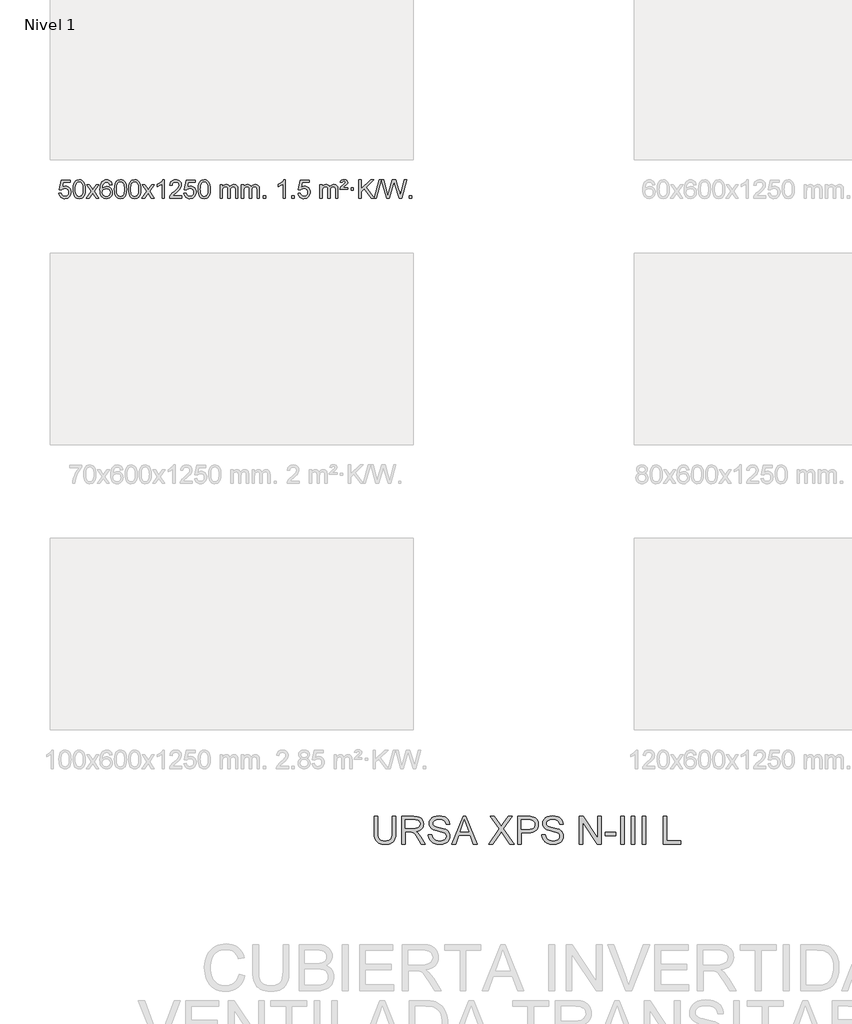
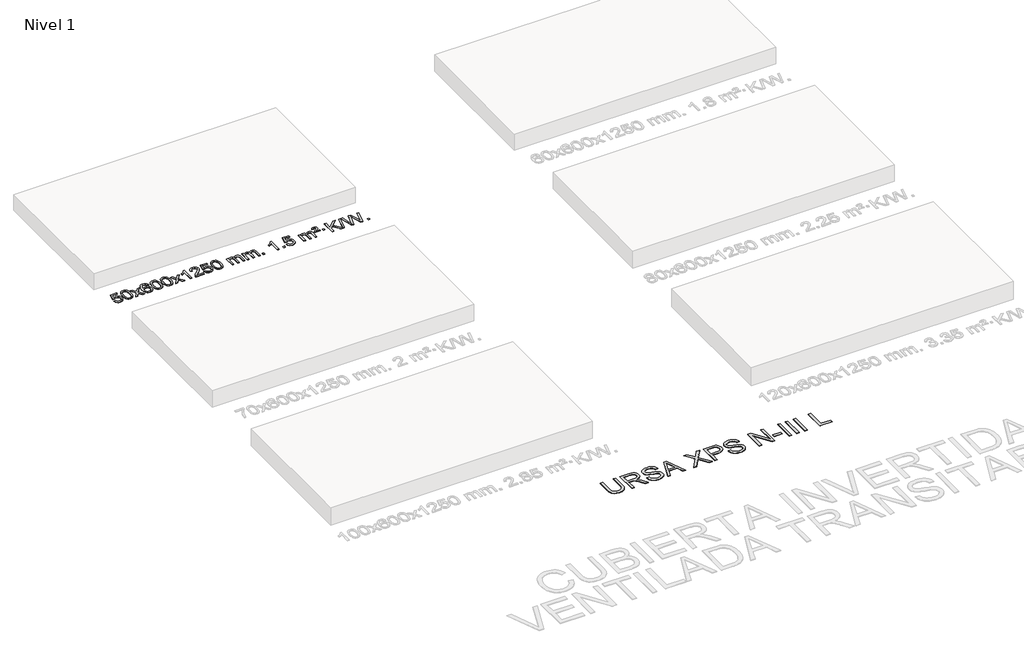
# One storey, part 4 of 7: 2 proxies.
"""IFC4 building model written with IfcOpenShell, lengths in millimetres."""

from ifc_helpers import new_model, si_unit, origin, origin_with_axes, place, context, project, spatial, polyline, outline, extrude, element, save

model = new_model("IFC4")

# Units and contexts
model_context = context("Model", 3, world=origin())
ifc_project = project(units=[si_unit("LENGTHUNIT", "METRE", prefix="MILLI")], contexts=[model_context])

# Site, building, storey
site = spatial("IfcSite", under=ifc_project)
building = spatial("IfcBuilding", under=site)
storey = spatial("IfcBuildingStorey", under=building, Name="Nivel 1", Elevation=0.0)

# Proxies
placement = place(None, origin())
element("IfcBuildingElementProxy", 1, Name="Texto de modelo 1", ObjectType="Texto de modelo 1", at=placement, inside=storey, context=model_context, shape_type="SweptSolid", body=[
    extrude(outline(polyline([(-25826.1503809, -277.8820273), (-25775.9222259, -271.603508), (-25766.7006505, -301.7575688), (-25750.6119446, -323.3522419), (-25727.7296845, -336.3384764), (-25698.1274466, -340.6672212), (-25678.9975829, -339.1619707), (-25662.124062, -334.6462192), (-25647.5068841, -327.1199667), (-25635.146049, -316.5832132), (-25625.3174684, -303.5571249), (-25618.2970537, -288.5628679), (-25612.6807219, -252.6698479), (-25617.9414344, -218.8737553), (-25624.5173251, -204.9555532), (-25633.723572, -193.0239138), (-25645.590832, -183.4528505), (-25660.149762, -176.6163768), (-25697.3426317, -171.1471978), (-25721.7086825, -173.3299643), (-25741.4394202, -179.8782638), (-25757.1970323, -189.9091796), (-25769.6437065, -202.5397947), (-25819.8718615, -196.2612753), (-25775.9222259, 10.9298643), (-25581.2881249, 10.9298643), (-25581.2881249, -39.2982907), (-25735.3080536, -39.2982907), (-25756.7923621, -149.9571949), (-25739.0665813, -137.2530033), (-25720.9116048, -128.1785808), (-25702.3274327, -122.7339272), (-25683.3140649, -120.9190427), (-25658.8529779, -123.1692543), (-25636.3845851, -129.9198889), (-25615.9088864, -141.1709466), (-25597.4258818, -156.9224273), (-25582.1250565, -176.2117066), (-25571.1958955, -198.0761598), (-25564.638399, -222.5157871), (-25562.4525668, -249.5305882), (-25564.4207355, -275.552108), (-25570.3252415, -299.7587433), (-25580.1660849, -322.1504941), (-25593.9432656, -342.7273604), (-25614.8144374, -363.8008673), (-25639.1682255, -378.8533723), (-25667.0046298, -387.8848753), (-25698.3236503, -390.8953763), (-25724.2440026, -388.9609301), (-25747.6566259, -383.1575916), (-25768.5615203, -373.4853608), (-25786.9586857, -359.9442377), (-25802.2656424, -343.2086726), (-25813.8999105, -323.9531159), (-25821.86149, -302.1775674), (-25826.1503809, -277.8820273)])), origin_with_axes(), (0.0, 0.0, 1.0), 10.0),
    extrude(outline(polyline([(-25518.5029311, -186.9415981), (-25514.8118484, -122.6235626), (-25503.7386004, -71.3285498), (-25485.3935515, -32.2717446), (-25473.5354886, -17.0383643), (-25459.8870665, -4.6683323), (-25444.4023002, 4.902731), (-25427.0352044, 11.7392047), (-25386.654024, 17.2083837), (-25355.7028855, 13.9710222), (-25327.9891085, 4.2589375), (-25304.8125428, -11.5477256), (-25287.4730381, -33.0688223), (-25274.3764391, -60.1204117), (-25263.9285904, -92.5185527), (-25257.0859853, -133.6600225), (-25254.805117, -186.9415981), (-25258.4594114, -250.8917516), (-25269.4222949, -302.0641372), (-25287.6569791, -341.1577305), (-25299.487451, -356.437096), (-25313.1266759, -368.8715075), (-25328.6298363, -378.5069501), (-25346.0521145, -385.3894091), (-25386.654024, -390.8953763), (-25414.3187501, -388.5041433), (-25438.8442164, -381.3304444), (-25460.2304231, -369.3742795), (-25478.47737, -352.6356488), (-25495.988553, -322.3773547), (-25508.4965408, -284.6755815), (-25516.0013335, -239.5303293), (-25518.5029311, -186.9415981)]), holes=[polyline([(-25468.274776, -186.8434963), (-25466.803248, -230.5080234), (-25462.3886641, -265.8522861), (-25455.0310242, -292.8762843), (-25444.7303283, -311.5800181), (-25432.2713914, -324.3056694), (-25418.4390284, -333.3954204), (-25403.2332393, -338.849271), (-25386.654024, -340.6672212), (-25370.0748088, -338.8431396), (-25354.8690196, -333.3708949), (-25341.0366566, -324.2504871), (-25328.5777197, -311.4819162), (-25318.2770239, -292.7475256), (-25310.919384, -265.7296588), (-25306.5048, -230.4283156), (-25305.033272, -186.8434963), (-25306.4557491, -144.3347317), (-25310.7231802, -109.6128027), (-25317.8355655, -82.6777093), (-25327.7929048, -63.5294515), (-25340.0433752, -50.1814664), (-25354.0351538, -40.6471914), (-25369.7682404, -34.9266264), (-25387.2426352, -33.0197713), (-25403.7360113, -34.6997658), (-25418.6842831, -39.7397491), (-25432.0874504, -48.1397213), (-25443.9455134, -59.8996825), (-25454.5895658, -80.7463289), (-25462.1924604, -108.8525133), (-25466.7541971, -144.2182358), (-25468.274776, -186.8434963)])]), origin_with_axes(), (0.0, 0.0, 1.0), 10.0),
    extrude(outline(polyline([(-25229.6910394, -384.6168569), (-25122.3675987, -236.2868364), (-25223.41252, -89.5264458), (-25162.981771, -89.5264458), (-25114.2251439, -160.1597889), (-25091.4655111, -193.5144231), (-25071.7470362, -166.2421045), (-25016.2213804, -89.5264458), (-24955.7906313, -89.5264458), (-25061.9368496, -236.2868364), (-24959.7147059, -384.6168569), (-25020.145455, -384.6168569), (-25081.6553246, -295.4422612), (-25092.9370391, -279.1573516), (-25169.2602903, -384.6168569), (-25229.6910394, -384.6168569)])), origin_with_axes(), (0.0, 0.0, 1.0), 10.0),
    extrude(outline(polyline([(-24670.9028142, -89.5264458), (-24721.1309693, -95.8049652), (-24729.2243732, -70.9116168), (-24740.1627312, -53.9154687), (-24762.9468894, -38.2436957), (-24790.4889881, -33.0197713), (-24813.8372321, -36.0609292), (-24835.8120499, -45.1844027), (-24854.6843963, -64.4001055), (-24870.0986519, -90.850821), (-24880.5097123, -128.2644199), (-24884.3724733, -180.3687731), (-24864.2248027, -156.8611137), (-24840.0794811, -140.2941611), (-24813.2854091, -130.4717119), (-24785.1914874, -127.1975621), (-24761.0584285, -129.4355109), (-24738.7893051, -136.1493573), (-24718.3841171, -147.3391013), (-24699.8428645, -163.004743), (-24684.4347403, -182.2143145), (-24673.4289372, -204.0358482), (-24666.8254554, -228.469344), (-24664.6242948, -255.514802), (-24668.7690986, -291.4813984), (-24681.2035101, -324.8237699), (-24700.8974596, -353.1016326), (-24726.8208775, -373.8747026), (-24757.7965415, -386.6402078), (-24792.6472291, -390.8953763), (-24822.5897579, -388.0749476), (-24849.6321502, -379.6136617), (-24873.7744061, -365.5115186), (-24895.0165257, -345.7685182), (-24912.3345706, -319.5507947), (-24924.7046027, -286.0244822), (-24932.1266219, -245.1895807), (-24934.6006284, -197.0460903), (-24931.8537761, -143.0716702), (-24923.6132194, -97.006713), (-24909.8789583, -58.8512188), (-24890.6509927, -28.6051874), (-24869.8104776, -8.56175), (-24845.6467619, 5.7549909), (-24818.1598455, 14.3450355), (-24787.3497284, 17.2083837), (-24764.2160823, 15.4364188), (-24743.2774654, 10.120524), (-24724.5338777, 1.2606992), (-24707.9853193, -11.1430554), (-24694.0793799, -26.6738069), (-24683.2636492, -44.9146225), (-24675.5381274, -65.8655021), (-24670.9028142, -89.5264458)]), holes=[polyline([(-24884.3724733, -254.7299871), (-24881.4662055, -276.9868478), (-24872.7474022, -298.2381644), (-24859.2093448, -316.5096368), (-24841.8453146, -329.8269651), (-24820.8883036, -337.9571571), (-24796.5713038, -340.6672212), (-24763.425136, -335.0508894), (-24749.5099995, -328.0304746), (-24737.366828, -318.201894), (-24727.5167876, -305.9636863), (-24720.4810444, -291.7143904), (-24714.8524499, -257.1825337), (-24720.407468, -224.036366), (-24727.3512407, -210.4155351), (-24737.0725224, -198.7628729), (-24749.2524821, -189.4278673), (-24763.5722888, -182.7600061), (-24798.6314429, -177.4257172), (-24831.7285598, -182.7600061), (-24859.4055485, -198.7628729), (-24870.3285781, -210.2622509), (-24878.1307421, -223.4232293), (-24882.8120405, -238.245808), (-24884.3724733, -254.7299871)])]), origin_with_axes(), (0.0, 0.0, 1.0), 10.0),
    extrude(outline(polyline([(-24620.6746591, -186.9415981), (-24616.9835765, -122.6235626), (-24605.9103284, -71.3285498), (-24587.5652796, -32.2717446), (-24575.7072166, -17.0383643), (-24562.0587946, -4.6683323), (-24546.5740283, 4.902731), (-24529.2069324, 11.7392047), (-24488.8257521, 17.2083837), (-24457.8746135, 13.9710222), (-24430.1608366, 4.2589375), (-24406.9842709, -11.5477256), (-24389.6447662, -33.0688223), (-24376.5481671, -60.1204117), (-24366.1003185, -92.5185527), (-24359.2577134, -133.6600225), (-24356.976845, -186.9415981), (-24360.6311395, -250.8917516), (-24371.5940229, -302.0641372), (-24389.8287072, -341.1577305), (-24401.659179, -356.437096), (-24415.298404, -368.8715075), (-24430.8015644, -378.5069501), (-24448.2238425, -385.3894091), (-24488.8257521, -390.8953763), (-24516.4904781, -388.5041433), (-24541.0159444, -381.3304444), (-24562.4021511, -369.3742795), (-24580.6490981, -352.6356488), (-24598.160281, -322.3773547), (-24610.6682689, -284.6755815), (-24618.1730616, -239.5303293), (-24620.6746591, -186.9415981)]), holes=[polyline([(-24570.4465041, -186.8434963), (-24568.9749761, -230.5080234), (-24564.5603921, -265.8522861), (-24557.2027522, -292.8762843), (-24546.9020564, -311.5800181), (-24534.4431195, -324.3056694), (-24520.6107564, -333.3954204), (-24505.4049673, -338.849271), (-24488.8257521, -340.6672212), (-24472.2465368, -338.8431396), (-24457.0407477, -333.3708949), (-24443.2083847, -324.2504871), (-24430.7494478, -311.4819162), (-24420.4487519, -292.7475256), (-24413.091112, -265.7296588), (-24408.676528, -230.4283156), (-24407.2050001, -186.8434963), (-24408.6274771, -144.3347317), (-24412.8949083, -109.6128027), (-24420.0072935, -82.6777093), (-24429.9646328, -63.5294515), (-24442.2151033, -50.1814664), (-24456.2068818, -40.6471914), (-24471.9399685, -34.9266264), (-24489.4143633, -33.0197713), (-24505.9077394, -34.6997658), (-24520.8560111, -39.7397491), (-24534.2591785, -48.1397213), (-24546.1172414, -59.8996825), (-24556.7612938, -80.7463289), (-24564.3641884, -108.8525133), (-24568.9259251, -144.2182358), (-24570.4465041, -186.8434963)])]), origin_with_axes(), (0.0, 0.0, 1.0), 10.0),
    extrude(outline(polyline([(-24313.0272093, -186.9415981), (-24309.3361266, -122.6235626), (-24298.2628786, -71.3285498), (-24279.9178297, -32.2717446), (-24268.0597668, -17.0383643), (-24254.4113447, -4.6683323), (-24238.9265784, 4.902731), (-24221.5594826, 11.7392047), (-24181.1783022, 17.2083837), (-24150.2271637, 13.9710222), (-24122.5133867, 4.2589375), (-24099.336821, -11.5477256), (-24081.9973163, -33.0688223), (-24068.9007173, -60.1204117), (-24058.4528686, -92.5185527), (-24051.6102635, -133.6600225), (-24049.3293952, -186.9415981), (-24052.9836896, -250.8917516), (-24063.9465731, -302.0641372), (-24082.1812573, -341.1577305), (-24094.0117292, -356.437096), (-24107.6509541, -368.8715075), (-24123.1541145, -378.5069501), (-24140.5763927, -385.3894091), (-24181.1783022, -390.8953763), (-24208.8430283, -388.5041433), (-24233.3684946, -381.3304444), (-24254.7547013, -369.3742795), (-24273.0016482, -352.6356488), (-24290.5128312, -322.3773547), (-24303.020819, -284.6755815), (-24310.5256117, -239.5303293), (-24313.0272093, -186.9415981)]), holes=[polyline([(-24262.7990542, -186.8434963), (-24261.3275262, -230.5080234), (-24256.9129423, -265.8522861), (-24249.5553024, -292.8762843), (-24239.2546065, -311.5800181), (-24226.7956696, -324.3056694), (-24212.9633066, -333.3954204), (-24197.7575175, -338.849271), (-24181.1783022, -340.6672212), (-24164.599087, -338.8431396), (-24149.3932978, -333.3708949), (-24135.5609348, -324.2504871), (-24123.1019979, -311.4819162), (-24112.8013021, -292.7475256), (-24105.4436622, -265.7296588), (-24101.0290782, -230.4283156), (-24099.5575502, -186.8434963), (-24100.9800273, -144.3347317), (-24105.2474584, -109.6128027), (-24112.3598437, -82.6777093), (-24122.317183, -63.5294515), (-24134.5676534, -50.1814664), (-24148.559432, -40.6471914), (-24164.2925187, -34.9266264), (-24181.7669134, -33.0197713), (-24198.2602895, -34.6997658), (-24213.2085613, -39.7397491), (-24226.6117286, -48.1397213), (-24238.4697916, -59.8996825), (-24249.113844, -80.7463289), (-24256.7167386, -108.8525133), (-24261.2784753, -144.2182358), (-24262.7990542, -186.8434963)])]), origin_with_axes(), (0.0, 0.0, 1.0), 10.0),
    extrude(outline(polyline([(-24024.2153176, -384.6168569), (-23916.8918769, -236.2868364), (-24017.9367982, -89.5264458), (-23957.5060492, -89.5264458), (-23908.7494221, -160.1597889), (-23885.9897893, -193.5144231), (-23866.2713144, -166.2421045), (-23810.7456586, -89.5264458), (-23750.3149095, -89.5264458), (-23856.4611278, -236.2868364), (-23754.2389841, -384.6168569), (-23814.6697332, -384.6168569), (-23876.1796028, -295.4422612), (-23887.4613173, -279.1573516), (-23963.7845685, -384.6168569), (-24024.2153176, -384.6168569)])), origin_with_axes(), (0.0, 0.0, 1.0), 10.0),
    extrude(outline(polyline([(-23534.4908056, -384.6168569), (-23584.7189607, -384.6168569), (-23584.7189607, -71.4757026), (-23605.6882344, -88.4350626), (-23632.2983654, -105.3698971), (-23685.1752709, -130.7292293), (-23685.1752709, -83.2479264), (-23645.7260583, -61.7881434), (-23611.5498209, -36.2571329), (-23584.6085961, -9.1074417), (-23566.8644212, 17.2083837), (-23534.4908056, 17.2083837), (-23534.4908056, -384.6168569)])), origin_with_axes(), (0.0, 0.0, 1.0), 10.0),
    extrude(outline(polyline([(-23157.7796426, -334.3887018), (-23157.7796426, -384.6168569), (-23421.4774567, -384.6168569), (-23420.3738107, -366.9339956), (-23416.0818541, -349.9868984), (-23403.6964936, -322.9230463), (-23385.572174, -296.6685346), (-23359.3544505, -269.1877495), (-23322.6888783, -238.4450775), (-23268.4875977, -190.301587), (-23235.9668293, -154.7641863), (-23219.7064451, -125.9222379), (-23214.286317, -97.8651044), (-23219.3998768, -72.7142386), (-23234.740556, -51.8062786), (-23258.3217919, -37.7163982), (-23288.1570217, -33.0197713), (-23319.4883049, -37.6060336), (-23343.8298303, -51.3648202), (-23359.5383915, -73.2170107), (-23364.9707823, -102.0834846), (-23415.1989373, -95.8049652), (-23410.8793896, -69.8754159), (-23403.0220433, -47.2200164), (-23391.6268985, -27.8387666), (-23376.6939552, -11.7316666), (-23358.5665699, 0.9296054), (-23337.5880991, 9.9733712), (-23313.7585429, 15.3996306), (-23287.0779012, 17.2083837), (-23260.1581362, 15.1972955), (-23236.1998212, 9.1640308), (-23215.2029563, -0.8914104), (-23197.1675415, -14.9690281), (-23182.682188, -32.02649), (-23172.3355069, -51.0214636), (-23166.1274982, -71.9539492), (-23164.058162, -94.8239465), (-23166.2899794, -118.8466408), (-23172.9854317, -142.4524022), (-23184.8680202, -166.4628337), (-23202.661246, -191.6995386), (-23231.0249478, -221.829074), (-23274.6189643, -260.5179972), (-23332.400963, -308.8331659), (-23355.0624939, -334.3887018), (-23157.7796426, -334.3887018)])), origin_with_axes(), (0.0, 0.0, 1.0), 10.0),
    extrude(outline(polyline([(-23107.5514875, -277.8820273), (-23057.3233324, -271.603508), (-23048.1017571, -301.7575688), (-23032.0130512, -323.3522419), (-23009.1307911, -336.3384764), (-22979.5285532, -340.6672212), (-22960.3986894, -339.1619707), (-22943.5251686, -334.6462192), (-22928.9079907, -327.1199667), (-22916.5471556, -316.5832132), (-22906.718575, -303.5571249), (-22899.6981602, -288.5628679), (-22894.0818284, -252.6698479), (-22899.342541, -218.8737553), (-22905.9184316, -204.9555532), (-22915.1246786, -193.0239138), (-22926.9919386, -183.4528505), (-22941.5508686, -176.6163768), (-22978.7437383, -171.1471978), (-23003.1097891, -173.3299643), (-23022.8405268, -179.8782638), (-23038.5981389, -189.9091796), (-23051.044813, -202.5397947), (-23101.2729681, -196.2612753), (-23057.3233324, 10.9298643), (-22862.6892315, 10.9298643), (-22862.6892315, -39.2982907), (-23016.7091602, -39.2982907), (-23038.1934687, -149.9571949), (-23020.4676879, -137.2530033), (-23002.3127114, -128.1785808), (-22983.7285393, -122.7339272), (-22964.7151715, -120.9190427), (-22940.2540845, -123.1692543), (-22917.7856917, -129.9198889), (-22897.3099929, -141.1709466), (-22878.8269884, -156.9224273), (-22863.5261631, -176.2117066), (-22852.5970021, -198.0761598), (-22846.0395056, -222.5157871), (-22843.8536734, -249.5305882), (-22845.821842, -275.552108), (-22851.7263481, -299.7587433), (-22861.5671914, -322.1504941), (-22875.3443722, -342.7273604), (-22896.215544, -363.8008673), (-22920.5693321, -378.8533723), (-22948.4057364, -387.8848753), (-22979.7247569, -390.8953763), (-23005.6451092, -388.9609301), (-23029.0577325, -383.1575916), (-23049.9626268, -373.4853608), (-23068.3597923, -359.9442377), (-23083.666749, -343.2086726), (-23095.3010171, -323.9531159), (-23103.2625966, -302.1775674), (-23107.5514875, -277.8820273)])), origin_with_axes(), (0.0, 0.0, 1.0), 10.0),
    extrude(outline(polyline([(-22799.9040377, -186.9415981), (-22796.212955, -122.6235626), (-22785.1397069, -71.3285498), (-22766.7946581, -32.2717446), (-22754.9365951, -17.0383643), (-22741.2881731, -4.6683323), (-22725.8034068, 4.902731), (-22708.4363109, 11.7392047), (-22668.0551306, 17.2083837), (-22637.1039921, 13.9710222), (-22609.3902151, 4.2589375), (-22586.2136494, -11.5477256), (-22568.8741447, -33.0688223), (-22555.7775457, -60.1204117), (-22545.329697, -92.5185527), (-22538.4870919, -133.6600225), (-22536.2062235, -186.9415981), (-22539.860518, -250.8917516), (-22550.8234015, -302.0641372), (-22569.0580857, -341.1577305), (-22580.8885575, -356.437096), (-22594.5277825, -368.8715075), (-22610.0309429, -378.5069501), (-22627.4532211, -385.3894091), (-22668.0551306, -390.8953763), (-22695.7198566, -388.5041433), (-22720.245323, -381.3304444), (-22741.6315296, -369.3742795), (-22759.8784766, -352.6356488), (-22777.3896596, -322.3773547), (-22789.8976474, -284.6755815), (-22797.4024401, -239.5303293), (-22799.9040377, -186.9415981)]), holes=[polyline([(-22749.6758826, -186.8434963), (-22748.2043546, -230.5080234), (-22743.7897707, -265.8522861), (-22736.4321308, -292.8762843), (-22726.1314349, -311.5800181), (-22713.672498, -324.3056694), (-22699.840135, -333.3954204), (-22684.6343459, -338.849271), (-22668.0551306, -340.6672212), (-22651.4759154, -338.8431396), (-22636.2701262, -333.3708949), (-22622.4377632, -324.2504871), (-22609.9788263, -311.4819162), (-22599.6781304, -292.7475256), (-22592.3204905, -265.7296588), (-22587.9059066, -230.4283156), (-22586.4343786, -186.8434963), (-22587.8568557, -144.3347317), (-22592.1242868, -109.6128027), (-22599.236672, -82.6777093), (-22609.1940114, -63.5294515), (-22621.4444818, -50.1814664), (-22635.4362604, -40.6471914), (-22651.169347, -34.9266264), (-22668.6437418, -33.0197713), (-22685.1371179, -34.6997658), (-22700.0853897, -39.7397491), (-22713.488557, -48.1397213), (-22725.34662, -59.8996825), (-22735.9906724, -80.7463289), (-22743.5935669, -108.8525133), (-22748.1553037, -144.2182358), (-22749.6758826, -186.8434963)])]), origin_with_axes(), (0.0, 0.0, 1.0), 10.0),
    extrude(outline(polyline([(-22322.7365645, -384.6168569), (-22322.7365645, -89.5264458), (-22272.5084094, -89.5264458), (-22272.5084094, -138.0868692), (-22257.4007221, -115.7809575), (-22237.9765528, -98.3065628), (-22214.8980889, -87.0125855), (-22188.8275182, -83.2479264), (-22160.8930121, -87.0861619), (-22138.5012613, -98.6008684), (-22121.7748932, -117.0317563), (-22110.8365352, -141.6185363), (-22092.5282746, -116.0813945), (-22071.64484, -97.8405789), (-22048.1862315, -86.8960895), (-22022.1524489, -83.2479264), (-22002.0446322, -84.7654397), (-21984.3954935, -89.3179793), (-21969.2050328, -96.9055455), (-21956.4732501, -107.5281381), (-21946.4086118, -121.3083845), (-21939.2195845, -138.368912), (-21934.9061681, -158.7097207), (-21933.4683626, -182.3308105), (-21933.4683626, -384.6168569), (-21983.6965177, -384.6168569), (-21983.6965177, -203.9132208), (-21984.8614774, -178.860457), (-21988.3563563, -161.9746734), (-21994.9046558, -150.410916), (-22005.2298772, -141.3242307), (-22018.5104172, -135.4381188), (-22033.9246728, -133.4760815), (-22061.1356777, -138.5038021), (-22083.318962, -153.5869639), (-22091.924335, -165.1568526), (-22098.07103, -179.7556365), (-22102.988386, -218.0398895), (-22102.988386, -384.6168569), (-22153.2165411, -384.6168569), (-22153.2165411, -198.3214145), (-22156.1228088, -169.9209245), (-22164.8416121, -149.6628893), (-22180.1822913, -137.5227834), (-22202.9541868, -133.4760815), (-22222.3047798, -136.1738828), (-22240.1347938, -144.2672867), (-22254.8500736, -157.5600894), (-22264.8564639, -175.8560873), (-22270.595423, -201.239945), (-22272.5084094, -235.7963271), (-22272.5084094, -384.6168569), (-22322.7365645, -384.6168569)])), origin_with_axes(), (0.0, 0.0, 1.0), 10.0),
    extrude(outline(polyline([(-21858.12613, -384.6168569), (-21858.12613, -89.5264458), (-21807.8979749, -89.5264458), (-21807.8979749, -138.0868692), (-21792.7902877, -115.7809575), (-21773.3661183, -98.3065628), (-21750.2876545, -87.0125855), (-21724.2170838, -83.2479264), (-21696.2825776, -87.0861619), (-21673.8908268, -98.6008684), (-21657.1644588, -117.0317563), (-21646.2261008, -141.6185363), (-21627.9178402, -116.0813945), (-21607.0344056, -97.8405789), (-21583.575797, -86.8960895), (-21557.5420145, -83.2479264), (-21537.4341978, -84.7654397), (-21519.7850591, -89.3179793), (-21504.5945983, -96.9055455), (-21491.8628156, -107.5281381), (-21481.7981774, -121.3083845), (-21474.6091501, -138.368912), (-21470.2957337, -158.7097207), (-21468.8579282, -182.3308105), (-21468.8579282, -384.6168569), (-21519.0860833, -384.6168569), (-21519.0860833, -203.9132208), (-21520.2510429, -178.860457), (-21523.7459219, -161.9746734), (-21530.2942214, -150.410916), (-21540.6194427, -141.3242307), (-21553.8999827, -135.4381188), (-21569.3142383, -133.4760815), (-21596.5252433, -138.5038021), (-21618.7085276, -153.5869639), (-21627.3139006, -165.1568526), (-21633.4605956, -179.7556365), (-21638.3779516, -218.0398895), (-21638.3779516, -384.6168569), (-21688.6061066, -384.6168569), (-21688.6061066, -198.3214145), (-21691.5123744, -169.9209245), (-21700.2311777, -149.6628893), (-21715.5718569, -137.5227834), (-21738.3437524, -133.4760815), (-21757.6943453, -136.1738828), (-21775.5243594, -144.2672867), (-21790.2396392, -157.5600894), (-21800.2460294, -175.8560873), (-21805.9849886, -201.239945), (-21807.8979749, -235.7963271), (-21807.8979749, -384.6168569), (-21858.12613, -384.6168569)])), origin_with_axes(), (0.0, 0.0, 1.0), 10.0),
    extrude(outline(polyline([(-21380.9586568, -384.6168569), (-21380.9586568, -334.3887018), (-21330.7305017, -334.3887018), (-21330.7305017, -384.6168569), (-21380.9586568, -384.6168569)])), origin_with_axes(), (0.0, 0.0, 1.0), 10.0),
    extrude(outline(polyline([(-20903.7911836, -384.6168569), (-20954.0193387, -384.6168569), (-20954.0193387, -71.4757026), (-20974.9886124, -88.4350626), (-21001.5987434, -105.3698971), (-21054.4756488, -130.7292293), (-21054.4756488, -83.2479264), (-21015.0264362, -61.7881434), (-20980.8501989, -36.2571329), (-20953.9089741, -9.1074417), (-20936.1647992, 17.2083837), (-20903.7911836, 17.2083837), (-20903.7911836, -384.6168569)])), origin_with_axes(), (0.0, 0.0, 1.0), 10.0),
    extrude(outline(polyline([(-20759.3852378, -384.6168569), (-20759.3852378, -334.3887018), (-20709.1570827, -334.3887018), (-20709.1570827, -384.6168569), (-20759.3852378, -384.6168569)])), origin_with_axes(), (0.0, 0.0, 1.0), 10.0),
    extrude(outline(polyline([(-20627.5363307, -277.8820273), (-20577.3081756, -271.603508), (-20568.0866003, -301.7575688), (-20551.9978943, -323.3522419), (-20529.1156342, -336.3384764), (-20499.5133964, -340.6672212), (-20480.3835326, -339.1619707), (-20463.5100118, -334.6462192), (-20448.8928338, -327.1199667), (-20436.5319988, -316.5832132), (-20426.7034182, -303.5571249), (-20419.6830034, -288.5628679), (-20414.0666716, -252.6698479), (-20419.3273842, -218.8737553), (-20425.9032748, -204.9555532), (-20435.1095217, -193.0239138), (-20446.9767818, -183.4528505), (-20461.5357117, -176.6163768), (-20498.7285814, -171.1471978), (-20523.0946323, -173.3299643), (-20542.8253699, -179.8782638), (-20558.5829821, -189.9091796), (-20571.0296562, -202.5397947), (-20621.2578113, -196.2612753), (-20577.3081756, 10.9298643), (-20382.6740747, 10.9298643), (-20382.6740747, -39.2982907), (-20536.6940033, -39.2982907), (-20558.1783119, -149.9571949), (-20540.4525311, -137.2530033), (-20522.2975546, -128.1785808), (-20503.7133825, -122.7339272), (-20484.7000147, -120.9190427), (-20460.2389277, -123.1692543), (-20437.7705348, -129.9198889), (-20417.2948361, -141.1709466), (-20398.8118316, -156.9224273), (-20383.5110062, -176.2117066), (-20372.5818453, -198.0761598), (-20366.0243487, -222.5157871), (-20363.8385165, -249.5305882), (-20365.8066852, -275.552108), (-20371.7111912, -299.7587433), (-20381.5520346, -322.1504941), (-20395.3292153, -342.7273604), (-20416.2003872, -363.8008673), (-20440.5541753, -378.8533723), (-20468.3905796, -387.8848753), (-20499.7096001, -390.8953763), (-20525.6299523, -388.9609301), (-20549.0425757, -383.1575916), (-20569.94747, -373.4853608), (-20588.3446355, -359.9442377), (-20603.6515922, -343.2086726), (-20615.2858603, -323.9531159), (-20623.2474398, -302.1775674), (-20627.5363307, -277.8820273)])), origin_with_axes(), (0.0, 0.0, 1.0), 10.0),
    extrude(outline(polyline([(-20150.3688575, -384.6168569), (-20150.3688575, -89.5264458), (-20100.1407024, -89.5264458), (-20100.1407024, -138.0868692), (-20085.0330151, -115.7809575), (-20065.6088458, -98.3065628), (-20042.530382, -87.0125855), (-20016.4598112, -83.2479264), (-19988.5253051, -87.0861619), (-19966.1335543, -98.6008684), (-19949.4071862, -117.0317563), (-19938.4688283, -141.6185363), (-19920.1605676, -116.0813945), (-19899.277133, -97.8405789), (-19875.8185245, -86.8960895), (-19849.784742, -83.2479264), (-19829.6769252, -84.7654397), (-19812.0277865, -89.3179793), (-19796.8373258, -96.9055455), (-19784.1055431, -107.5281381), (-19774.0409048, -121.3083845), (-19766.8518775, -138.368912), (-19762.5384611, -158.7097207), (-19761.1006556, -182.3308105), (-19761.1006556, -384.6168569), (-19811.3288107, -384.6168569), (-19811.3288107, -203.9132208), (-19812.4937704, -178.860457), (-19815.9886493, -161.9746734), (-19822.5369488, -150.410916), (-19832.8621702, -141.3242307), (-19846.1427102, -135.4381188), (-19861.5569658, -133.4760815), (-19888.7679707, -138.5038021), (-19910.951255, -153.5869639), (-19919.556628, -165.1568526), (-19925.703323, -179.7556365), (-19930.620679, -218.0398895), (-19930.620679, -384.6168569), (-19980.8488341, -384.6168569), (-19980.8488341, -198.3214145), (-19983.7551019, -169.9209245), (-19992.4739051, -149.6628893), (-20007.8145843, -137.5227834), (-20030.5864798, -133.4760815), (-20049.9370728, -136.1738828), (-20067.7670868, -144.2672867), (-20082.4823666, -157.5600894), (-20092.4887569, -175.8560873), (-20098.227716, -201.239945), (-20100.1407024, -235.7963271), (-20100.1407024, -384.6168569), (-20150.3688575, -384.6168569)])), origin_with_axes(), (0.0, 0.0, 1.0), 10.0),
    extrude(outline(polyline([(-19717.15102, -183.7042366), (-19713.3250472, -167.8853108), (-19704.9863887, -152.0173341), (-19683.4775547, -126.878731), (-19651.520872, -99.1404286), (-19607.3750326, -61.7636179), (-19600.2381219, -50.2366487), (-19597.8591517, -38.4153739), (-19599.7476126, -26.324319), (-19605.4129953, -16.538658), (-19614.7817234, -10.0639348), (-19627.7802206, -7.9056938), (-19640.214632, -9.5243746), (-19649.0683254, -14.3804169), (-19655.4939976, -23.8472469), (-19660.6443455, -39.2982907), (-19710.8725006, -33.0197713), (-19700.0322444, -7.8075919), (-19683.4039783, 9.752642), (-19659.6388014, 20.0533378), (-19627.3878131, 23.4869031), (-19591.6051577, 19.354362), (-19566.8589622, 6.9567388), (-19552.437988, -11.3760473), (-19547.6309966, -33.3140769), (-19551.7267495, -56.2208625), (-19564.0140081, -77.8523238), (-19584.5418234, -97.6689006), (-19621.0111919, -125.7260341), (-19646.6157788, -152.3116396), (-19547.6309966, -152.3116396), (-19547.6309966, -183.7042366), (-19717.15102, -183.7042366)])), origin_with_axes(), (0.0, 0.0, 1.0), 10.0),
    extrude(outline(polyline([(-19472.288764, -208.8183141), (-19472.288764, -158.590159), (-19422.0606089, -158.590159), (-19422.0606089, -208.8183141), (-19472.288764, -208.8183141)])), origin_with_axes(), (0.0, 0.0, 1.0), 10.0),
    extrude(outline(polyline([(-19031.4189809, -384.6168569), (-19184.8502984, -181.938403), (-19252.5405855, -246.4894304), (-19252.5405855, -384.6168569), (-19302.7687406, -384.6168569), (-19302.7687406, 17.2083837), (-19252.5405855, 17.2083837), (-19252.5405855, -179.4858564), (-19046.5266682, 17.2083837), (-18976.2857326, 17.2083837), (-19149.2393213, -147.9951576), (-18974.5857114, -378.5723371), (-18863.2723837, 17.2083837), (-18817.9493219, 17.2083837), (-18930.9626708, -384.6168569), (-18970.0072132, -384.6168569), (-18976.2857326, -384.6168569), (-19031.4189809, -384.6168569)])), origin_with_axes(), (0.0, 0.0, 1.0), 10.0),
    extrude(outline(polyline([(-18703.464445, -384.6168569), (-18813.0442286, 17.2083837), (-18761.2464437, 17.2083837), (-18697.6764349, -246.8818379), (-18678.0560618, -328.404488), (-18657.0622627, -256.299617), (-18577.403548, 17.2083837), (-18502.7480284, 17.2083837), (-18444.8679278, -181.0554862), (-18420.0726814, -254.6318852), (-18401.8012089, -328.404488), (-18382.7694471, -249.2362826), (-18318.6108271, 17.2083837), (-18266.8130422, 17.2083837), (-18376.4909277, -384.6168569), (-18430.152648, -384.6168569), (-18526.4886798, -74.6149623), (-18539.9286354, -31.3520396), (-18555.0363227, -83.4441302), (-18642.8374922, -384.6168569), (-18703.464445, -384.6168569)])), origin_with_axes(), (0.0, 0.0, 1.0), 10.0),
    extrude(outline(polyline([(-18210.3063677, -384.6168569), (-18210.3063677, -334.3887018), (-18160.0782126, -334.3887018), (-18160.0782126, -384.6168569), (-18210.3063677, -384.6168569)])), origin_with_axes(), (0.0, 0.0, 1.0), 10.0),
])
element("IfcBuildingElementProxy", 2, Name="Texto de modelo 3", ObjectType="Texto de modelo 3", at=placement, inside=storey, context=model_context, shape_type="SweptSolid", body=[
    extrude(outline(polyline([(-18576.063677, -13823.3522814), (-18500.7214443, -13823.3522814), (-18500.7214443, -14171.0743432), (-18505.8350041, -14252.5050228), (-18512.2269537, -14286.1984151), (-18521.1756833, -14315.2105089), (-18533.4537449, -14340.6403518), (-18549.8336907, -14363.5869913), (-18570.3155208, -14384.0504273), (-18594.8992351, -14402.0306598), (-18623.6124248, -14416.6769617), (-18656.4826811, -14427.1386059), (-18693.5100039, -14433.4155925), (-18734.6943933, -14435.5079213), (-18774.8625086, -14433.6869055), (-18811.1954542, -14428.2238578), (-18843.6932299, -14419.1187784), (-18872.3558359, -14406.3716673), (-18897.1878705, -14390.1710639), (-18918.1939325, -14370.7055079), (-18935.3740216, -14347.9749991), (-18948.7281381, -14321.9795376), (-18958.7391269, -14291.8270096), (-18965.8898331, -14256.6253012), (-18970.1802569, -14216.3744124), (-18971.6103982, -14171.0743432), (-18971.6103982, -13823.3522814), (-18896.2681656, -13823.3522814), (-18896.2681656, -14168.4255928), (-18892.5525574, -14236.134274), (-18881.405733, -14283.2783517), (-18872.6409444, -14300.6561775), (-18861.2090114, -14315.9278788), (-18847.109934, -14329.0934557), (-18830.343712, -14340.1529082), (-18790.0974218, -14355.1624936), (-18741.7577276, -14360.1656887), (-18700.2330474, -14357.6916823), (-18665.127908, -14350.269663), (-18636.4423094, -14337.899631), (-18614.1762517, -14320.581586), (-18597.5020002, -14296.227798), (-18585.5918206, -14262.7505364), (-18578.4457129, -14220.1498014), (-18576.063677, -14168.4255928), (-18576.063677, -13823.3522814)])), origin_with_axes(), (0.0, 0.0, 1.0), 10.0),
    extrude(outline(polyline([(-18368.8725373, -14426.0901423), (-18368.8725373, -13823.3522814), (-18109.1478487, -13823.3522814), (-18039.3422401, -13827.4173774), (-17988.5561307, -13839.6126655), (-17968.9572174, -13849.3063561), (-17951.4368373, -13862.1270436), (-17935.9949906, -13878.0747281), (-17922.6316771, -13897.1494096), (-17911.8481361, -13918.3256169), (-17904.1456069, -13940.5778791), (-17899.5240893, -13963.9061961), (-17897.9835834, -13988.310568), (-17900.5357648, -14019.2678379), (-17908.1923088, -14047.686722), (-17920.9532155, -14073.5672204), (-17938.8184849, -14096.909333), (-17962.0180432, -14116.9680988), (-17990.7818167, -14132.9985567), (-18025.1098054, -14145.0007068), (-18065.0020093, -14152.974549), (-18040.1699746, -14169.198145), (-18022.180545, -14185.2010118), (-17991.3152456, -14221.8052703), (-17961.1121338, -14262.7505364), (-17860.6067727, -14426.0901423), (-17948.1626876, -14426.0901423), (-18026.595129, -14301.1574167), (-18083.2489562, -14218.4575442), (-18104.3102004, -14194.3428794), (-18123.0537881, -14179.3884763), (-18158.8854944, -14165.0410785), (-18202.5898755, -14162.3923281), (-18293.5303047, -14162.3923281), (-18293.5303047, -14426.0901423), (-18368.8725373, -14426.0901423)]), holes=[polyline([(-18293.5303047, -14087.0500955), (-18124.8931981, -14087.0500955), (-18076.4615334, -14084.382951), (-18038.8823876, -14076.3815176), (-18010.5922622, -14062.5123664), (-17990.0276586, -14042.2420685), (-17977.5012767, -14017.7227335), (-17973.3258161, -13991.1064712), (-17975.3169774, -13971.8386517), (-17981.2904613, -13954.3550598), (-17991.2462677, -13938.6556957), (-18005.1843968, -13924.7405592), (-18023.4267453, -13913.3454144), (-18046.2952098, -13905.2060253), (-18073.7897904, -13900.3223918), (-18105.9104871, -13898.694514), (-18293.5303047, -13898.694514), (-18293.5303047, -14087.0500955)])]), origin_with_axes(), (0.0, 0.0, 1.0), 10.0),
    extrude(outline(polyline([(-17794.3880136, -14218.8990026), (-17719.045781, -14218.8990026), (-17710.4005541, -14260.7087913), (-17694.7655693, -14294.3148116), (-17670.374993, -14320.9862562), (-17635.4629917, -14341.9923182), (-17592.7886802, -14355.6223461), (-17545.1111737, -14360.1656887), (-17503.135838, -14356.7259921), (-17466.3844267, -14346.4069021), (-17436.6043792, -14330.0729415), (-17415.543135, -14308.588633), (-17403.016753, -14283.9221452), (-17398.8412924, -14258.0416469), (-17401.9682894, -14232.8233361), (-17411.3492802, -14211.0263279), (-17430.4055676, -14192.429893), (-17462.558454, -14176.8133023), (-17572.2608649, -14148.0449303), (-17644.2737655, -14129.007037), (-17690.3509854, -14110.8888488), (-17727.8565548, -14085.5417793), (-17754.4360289, -14054.8236327), (-17770.2733488, -14019.3965966), (-17775.5524555, -13979.9228585), (-17773.9199791, -13957.4866553), (-17769.02255, -13935.7954132), (-17760.8601683, -13914.8491321), (-17749.4328338, -13894.647812), (-17734.8693053, -13876.014589), (-17717.2983415, -13859.7725989), (-17696.7199424, -13845.9218418), (-17673.134108, -13834.4623176), (-17620.1223125, -13819.0664561), (-17561.4451343, -13813.9345023), (-17497.8751255, -13819.3055794), (-17442.2513678, -13835.4188108), (-17417.9159738, -13847.4209609), (-17396.560424, -13861.9431027), (-17378.1847184, -13878.9852361), (-17362.7888569, -13898.5473612), (-17350.4924012, -13920.0592608), (-17341.4149129, -13942.950718), (-17335.5563922, -13967.2217326), (-17332.9168389, -13992.8723047), (-17408.2590715, -13992.8723047), (-17413.2990548, -13968.8312163), (-17422.0914345, -13947.9171249), (-17434.6362105, -13930.1300305), (-17450.9333829, -13915.4699329), (-17471.2864543, -13904.0104088), (-17495.9989273, -13895.8250344), (-17525.070802, -13890.9138098), (-17558.5020783, -13889.2767349), (-17593.0002124, -13890.8954157), (-17622.4767573, -13895.751458), (-17646.9317129, -13903.8448619), (-17666.3650793, -13915.1756274), (-17681.1723296, -13928.7964582), (-17691.748937, -13943.7600584), (-17698.0949014, -13960.0664278), (-17700.2102228, -13977.7155665), (-17698.7111037, -13992.8998959), (-17694.2137463, -14006.6678796), (-17686.7181507, -14019.0195175), (-17676.2243168, -14029.9548098), (-17659.7064152, -14040.310688), (-17633.6971581, -14050.7769308), (-17553.2045776, -14072.0405101), (-17470.1368231, -14092.2372316), (-17419.8841425, -14109.8587792), (-17376.9339196, -14137.1924114), (-17360.328646, -14153.2596576), (-17346.9699311, -14170.9271904), (-17336.7014249, -14190.1030394), (-17329.3667776, -14210.6952341), (-17323.4990598, -14256.1286605), (-17325.1867184, -14279.6961008), (-17330.2496944, -14302.5737624), (-17338.6879877, -14324.7616452), (-17350.5015982, -14346.2597493), (-17365.4835925, -14366.2357416), (-17383.4270368, -14383.8572892), (-17404.3319312, -14399.124392), (-17428.1982756, -14412.03705), (-17454.3316928, -14422.3055562), (-17482.0378056, -14429.6402035), (-17542.1681177, -14435.5079213), (-17580.7083552, -14433.9260288), (-17615.98364, -14429.180351), (-17647.9939722, -14421.2708881), (-17676.7393515, -14410.1976401), (-17702.3945222, -14395.9422127), (-17725.134228, -14378.4862121), (-17744.958469, -14357.829638), (-17761.8672452, -14333.9724907), (-17775.4880761, -14307.6873221), (-17785.4484811, -14279.7466846), (-17791.7484603, -14250.1505781), (-17794.3880136, -14218.8990026)])), origin_with_axes(), (0.0, 0.0, 1.0), 10.0),
    extrude(outline(polyline([(-17280.6775955, -14426.0901423), (-17040.0827707, -13823.3522814), (-16975.9241507, -13823.3522814), (-16735.3293259, -14426.0901423), (-16814.9389896, -14426.0901423), (-16883.9536519, -14237.7345607), (-17132.2004223, -14237.7345607), (-17201.0679318, -14426.0901423), (-17280.6775955, -14426.0901423)]), holes=[polyline([(-17104.5356963, -14162.3923281), (-16911.4712252, -14162.3923281), (-16965.7706077, -14014.2094605), (-17008.0034607, -13898.694514), (-17045.5274242, -14001.2600142), (-17104.5356963, -14162.3923281)])]), origin_with_axes(), (0.0, 0.0, 1.0), 10.0),
    extrude(outline(polyline([(-16485.316722, -14426.0901423), (-16252.9624538, -14097.645097), (-16447.6456057, -13823.3522814), (-16357.2937876, -13823.3522814), (-16247.6649531, -13977.7155665), (-16221.5085432, -14016.8214226), (-16210.7296008, -14037.9010609), (-16167.4666781, -13976.6854969), (-16059.015066, -13823.3522814), (-15967.3388728, -13823.3522814), (-16162.0220246, -14098.5280137), (-15929.6677565, -14426.0901423), (-16020.0195745, -14426.0901423), (-16174.824318, -14207.7153899), (-16207.0507808, -14162.3923281), (-16242.5146052, -14212.1299739), (-16393.6405288, -14426.0901423), (-16485.316722, -14426.0901423)])), origin_with_axes(), (0.0, 0.0, 1.0), 10.0),
    extrude(outline(polyline([(-15854.3255238, -14426.0901423), (-15854.3255238, -13823.3522814), (-15630.9475764, -13823.3522814), (-15578.9290623, -13824.7870211), (-15540.890064, -13829.0912405), (-15500.7357442, -13839.8150006), (-15467.6815469, -13857.2710013), (-15441.0652846, -13882.2501888), (-15420.2247695, -13915.5435093), (-15406.7602885, -13954.8149123), (-15402.2721282, -13997.7283471), (-15405.3025561, -14034.7280787), (-15414.3938399, -14068.7663603), (-15429.5459796, -14099.8431919), (-15450.7589751, -14127.9585734), (-15479.8814336, -14151.2638978), (-15518.7619619, -14167.910558), (-15567.4005602, -14177.8985542), (-15625.7972284, -14181.2278863), (-15778.9832912, -14181.2278863), (-15778.9832912, -14426.0901423), (-15854.3255238, -14426.0901423)]), holes=[polyline([(-15778.9832912, -14105.8856537), (-15621.3826445, -14105.8856537), (-15585.146268, -14104.1566083), (-15554.5752742, -14098.9694721), (-15529.6696631, -14090.3242453), (-15510.4294348, -14078.2209276), (-15496.0728399, -14062.981416), (-15485.8181293, -14044.9276071), (-15479.6653029, -14024.0595009), (-15477.6143608, -14000.3770974), (-15482.452009, -13966.5319539), (-15496.9649537, -13937.9843111), (-15519.3505731, -13916.5000025), (-15547.8062455, -13903.8448619), (-15576.8689231, -13899.982101), (-15623.1484781, -13898.694514), (-15778.9832912, -13898.694514), (-15778.9832912, -14105.8856537)])]), origin_with_axes(), (0.0, 0.0, 1.0), 10.0),
    extrude(outline(polyline([(-15326.9298956, -14218.8990026), (-15251.5876629, -14218.8990026), (-15242.9424361, -14260.7087913), (-15227.3074513, -14294.3148116), (-15202.916875, -14320.9862562), (-15168.0048736, -14341.9923182), (-15125.3305622, -14355.6223461), (-15077.6530556, -14360.1656887), (-15035.67772, -14356.7259921), (-14998.9263087, -14346.4069021), (-14969.1462611, -14330.0729415), (-14948.0850169, -14308.588633), (-14935.558635, -14283.9221452), (-14931.3831743, -14258.0416469), (-14934.5101713, -14232.8233361), (-14943.8911622, -14211.0263279), (-14962.9474495, -14192.429893), (-14995.1003359, -14176.8133023), (-15104.8027469, -14148.0449303), (-15176.8156474, -14129.007037), (-15222.8928673, -14110.8888488), (-15260.3984367, -14085.5417793), (-15286.9779109, -14054.8236327), (-15302.8152308, -14019.3965966), (-15308.0943374, -13979.9228585), (-15306.461861, -13957.4866553), (-15301.564432, -13935.7954132), (-15293.4020502, -13914.8491321), (-15281.9747157, -13894.647812), (-15267.4111873, -13876.014589), (-15249.8402235, -13859.7725989), (-15229.2618244, -13845.9218418), (-15205.6759899, -13834.4623176), (-15152.6641944, -13819.0664561), (-15093.9870162, -13813.9345023), (-15030.4170074, -13819.3055794), (-14974.7932498, -13835.4188108), (-14950.4578558, -13847.4209609), (-14929.102306, -13861.9431027), (-14910.7266003, -13878.9852361), (-14895.3307388, -13898.5473612), (-14883.0342831, -13920.0592608), (-14873.9567949, -13942.950718), (-14868.0982741, -13967.2217326), (-14865.4587208, -13992.8723047), (-14940.8009534, -13992.8723047), (-14945.8409368, -13968.8312163), (-14954.6333164, -13947.9171249), (-14967.1780925, -13930.1300305), (-14983.4752649, -13915.4699329), (-15003.8283362, -13904.0104088), (-15028.5408093, -13895.8250344), (-15057.6126839, -13890.9138098), (-15091.0439602, -13889.2767349), (-15125.5420943, -13890.8954157), (-15155.0186392, -13895.751458), (-15179.4735948, -13903.8448619), (-15198.9069612, -13915.1756274), (-15213.7142115, -13928.7964582), (-15224.2908189, -13943.7600584), (-15230.6367833, -13960.0664278), (-15232.7521048, -13977.7155665), (-15231.2529857, -13992.8998959), (-15226.7556283, -14006.6678796), (-15219.2600326, -14019.0195175), (-15208.7661987, -14029.9548098), (-15192.2482971, -14040.310688), (-15166.2390401, -14050.7769308), (-15085.7464595, -14072.0405101), (-15002.678705, -14092.2372316), (-14952.4260245, -14109.8587792), (-14909.4758015, -14137.1924114), (-14892.870528, -14153.2596576), (-14879.511813, -14170.9271904), (-14869.2433068, -14190.1030394), (-14861.9086596, -14210.6952341), (-14856.0409417, -14256.1286605), (-14857.7286004, -14279.6961008), (-14862.7915763, -14302.5737624), (-14871.2298696, -14324.7616452), (-14883.0434802, -14346.2597493), (-14898.0254744, -14366.2357416), (-14915.9689187, -14383.8572892), (-14936.8738131, -14399.124392), (-14960.7401576, -14412.03705), (-14986.8735748, -14422.3055562), (-15014.5796876, -14429.6402035), (-15074.7099997, -14435.5079213), (-15113.2502372, -14433.9260288), (-15148.525522, -14429.180351), (-15180.5358541, -14421.2708881), (-15209.2812335, -14410.1976401), (-15234.9364041, -14395.9422127), (-15257.67611, -14378.4862121), (-15277.500351, -14357.829638), (-15294.4091272, -14333.9724907), (-15308.0299581, -14307.6873221), (-15317.9903631, -14279.7466846), (-15324.2903422, -14250.1505781), (-15326.9298956, -14218.8990026)])), origin_with_axes(), (0.0, 0.0, 1.0), 10.0),
    extrude(outline(polyline([(-14507.5831159, -14426.0901423), (-14507.5831159, -13823.3522814), (-14426.9433826, -13823.3522814), (-14112.0363947, -14300.8631111), (-14112.0363947, -13823.3522814), (-14036.6941621, -13823.3522814), (-14036.6941621, -14426.0901423), (-14117.3338954, -14426.0901423), (-14432.2408833, -13948.4321597), (-14432.2408833, -14426.0901423), (-14507.5831159, -14426.0901423)])), origin_with_axes(), (0.0, 0.0, 1.0), 10.0),
    extrude(outline(polyline([(-13951.9341504, -14247.1523398), (-13951.9341504, -14171.8101072), (-13716.4896735, -14171.8101072), (-13716.4896735, -14247.1523398), (-13951.9341504, -14247.1523398)])), origin_with_axes(), (0.0, 0.0, 1.0), 10.0),
    extrude(outline(polyline([(-13612.8941036, -14426.0901423), (-13612.8941036, -13823.3522814), (-13537.551871, -13823.3522814), (-13537.551871, -14426.0901423), (-13612.8941036, -14426.0901423)])), origin_with_axes(), (0.0, 0.0, 1.0), 10.0),
    extrude(outline(polyline([(-13377.4496267, -14426.0901423), (-13377.4496267, -13823.3522814), (-13302.1073941, -13823.3522814), (-13302.1073941, -14426.0901423), (-13377.4496267, -14426.0901423)])), origin_with_axes(), (0.0, 0.0, 1.0), 10.0),
    extrude(outline(polyline([(-13142.0051498, -14426.0901423), (-13142.0051498, -13823.3522814), (-13066.6629172, -13823.3522814), (-13066.6629172, -14426.0901423), (-13142.0051498, -14426.0901423)])), origin_with_axes(), (0.0, 0.0, 1.0), 10.0),
    extrude(outline(polyline([(-12680.5339751, -14426.0901423), (-12680.5339751, -13823.3522814), (-12605.1917424, -13823.3522814), (-12605.1917424, -14350.7479096), (-12303.822812, -14350.7479096), (-12303.822812, -14426.0901423), (-12680.5339751, -14426.0901423)])), origin_with_axes(), (0.0, 0.0, 1.0), 10.0),
])

save(model, "model.ifc")
